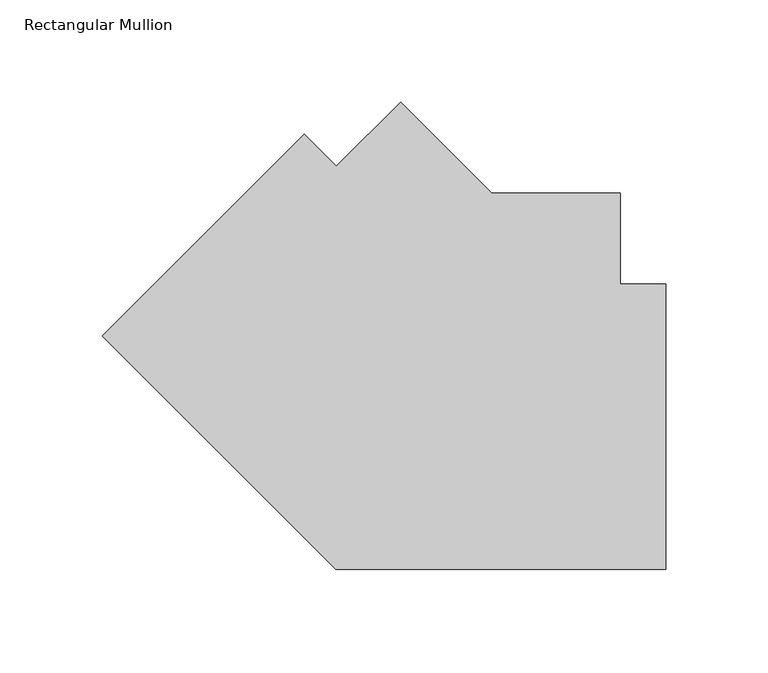
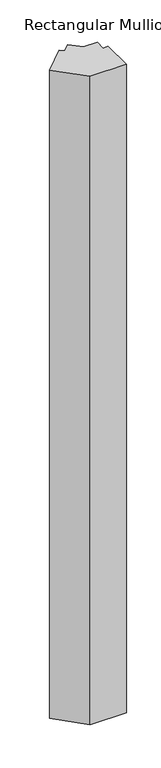
"""IFC4 building model written with IfcOpenShell, lengths in millimetres: member geometry, Rectangular Mullion."""

from ifc_helpers import new_model, si_unit, frame, origin, place, context, project, spatial, polyline, outline, extrude, source, transform, mapped, element, save


def rectangular_mullion_232f91ba(model_context):
    return source(origin(), model_context, "Body", "SweptSolid", [
        extrude(outline(polyline([(-161.4577819, -69.7503272), (-275.6256123, 44.4175032), (-176.8428025, 143.2003131), (-161.1274343, 127.4849449), (-129.6965379, 158.9158413), (-85.1803694, 114.3996728), (-22.225, 114.3996784), (-22.225, 69.9496784), (0.0, 69.9496784), (-0.000114, -69.7503272), (-161.4577819, -69.7503272)])), frame((0.0, 0.0, -3048.0), z_axis=(0.0, 0.0, 1.0), x_axis=(1.0, 0.0, 0.0)), (0.0, 0.0, 1.0), 3048.0),
    ])


if __name__ == "__main__":
    model = new_model("IFC4")
    model_context = context("Model", 3, world=origin())
    ifc_project = project(units=[si_unit("LENGTHUNIT", "METRE", prefix="MILLI")], contexts=[model_context])
    site = spatial("IfcSite", under=ifc_project)
    building = spatial("IfcBuilding", under=site)
    placement = place(None, origin())
    rectangular_mullion_shape = rectangular_mullion_232f91ba(model_context)
    element("IfcMember", 1, ObjectType="Rectangular Mullion", at=placement, inside=building, context=model_context, shape_type="MappedRepresentation", body=[
        mapped(rectangular_mullion_shape, transform((0.0, 0.0, 0.0), x_axis=(1.0, 0.0, 0.0), y_axis=(0.0, 1.0, 0.0), z_axis=(0.0, 0.0, 1.0))),
    ])
    save(model, "model.ifc")
